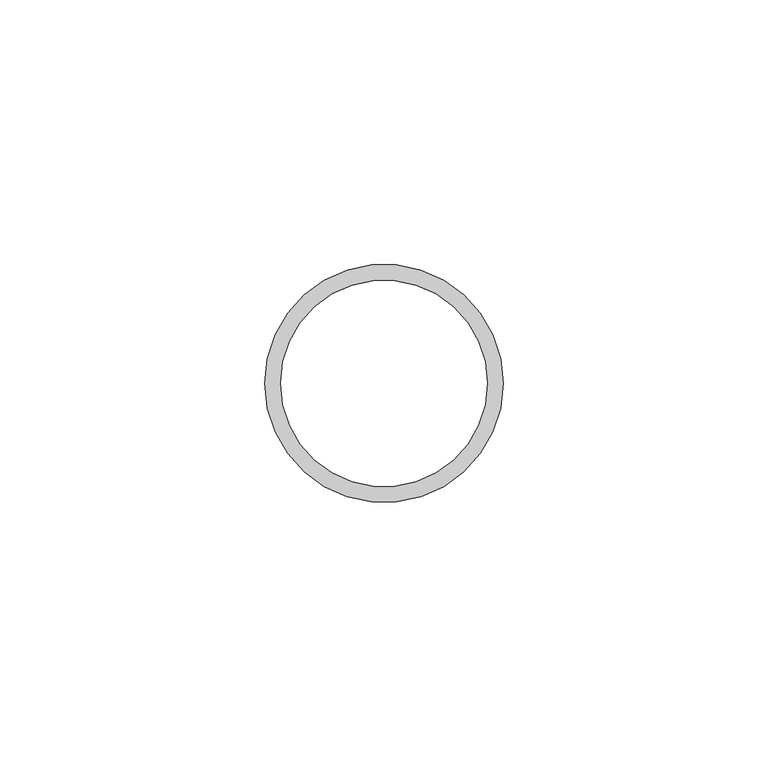
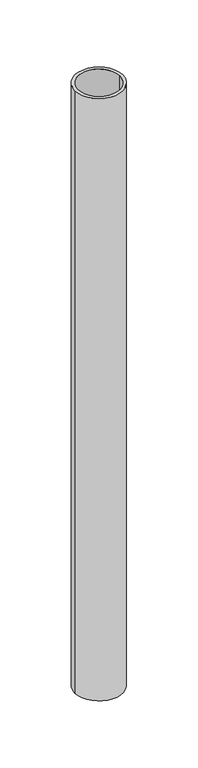
"""IFC4 building model written with IfcOpenShell, lengths in millimetres: beam geometry."""

from ifc_helpers import new_model, si_unit, point, frame, origin, origin_2d, place, context, project, spatial, circle_curve, trimmed, segment, composite_curve, outline, extrude, source, transform, mapped, element, save


def beam_50ec46fb(model_context):
    return source(origin(), model_context, "Body", "SweptSolid", [
        extrude(outline(composite_curve([segment(trimmed(circle_curve(origin_2d(), 22.5), [point((22.5, 0.0))], [point((-22.5, 0.0))], False, "CARTESIAN"), True, "CONTINUOUS"), segment(trimmed(circle_curve(origin_2d(), 22.5), [point((-22.5, 0.0))], [point((22.5, 0.0))], False, "CARTESIAN"), True, "CONTINUOUS")], self_intersect=False), holes=[composite_curve([segment(trimmed(circle_curve(origin_2d(), 19.5), [point((19.5, 0.0))], [point((-19.5, 0.0))], True, "CARTESIAN"), True, "CONTINUOUS"), segment(trimmed(circle_curve(origin_2d(), 19.5), [point((-19.5, 0.0))], [point((19.5, 0.0))], True, "CARTESIAN"), True, "CONTINUOUS")], self_intersect=False)]), frame((0.0, 0.0, -600.0), z_axis=(0.0, 0.0, 1.0), x_axis=(1.0, 0.0, 0.0)), (0.0, 0.0, 1.0), 600.0),
    ])


if __name__ == "__main__":
    model = new_model("IFC4")
    model_context = context("Model", 3, world=origin())
    ifc_project = project(units=[si_unit("LENGTHUNIT", "METRE", prefix="MILLI")], contexts=[model_context])
    site = spatial("IfcSite", under=ifc_project)
    building = spatial("IfcBuilding", under=site)
    placement = place(None, origin())
    beam_shape = beam_50ec46fb(model_context)
    element("IfcBeam", 1, at=placement, inside=building, context=model_context, shape_type="MappedRepresentation", body=[
        mapped(beam_shape, transform((0.0, 0.0, 0.0), x_axis=(1.0, 0.0, 0.0), y_axis=(0.0, 1.0, 0.0), z_axis=(0.0, 0.0, 1.0))),
    ])
    save(model, "model.ifc")
